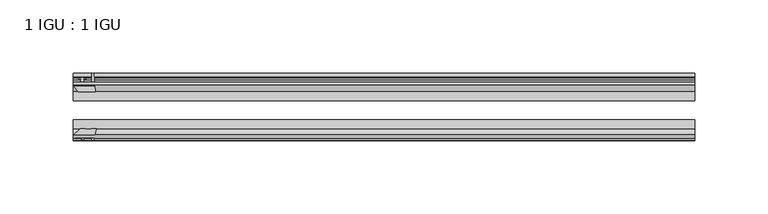
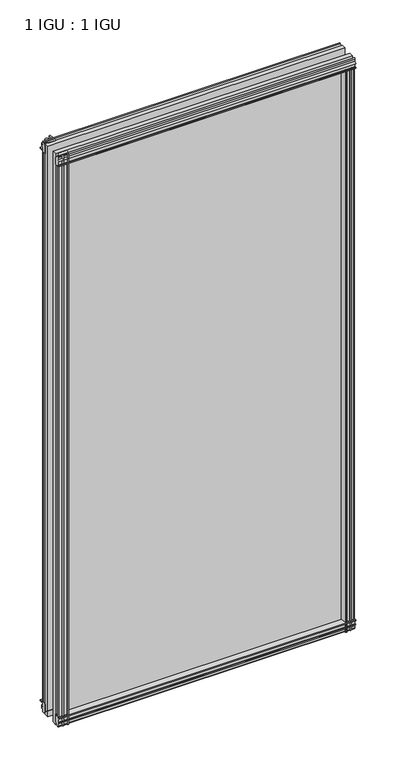
"""IFC4 building model written with IfcOpenShell, lengths in millimetres: plate geometry, 1 IGU : 1 IGU."""

import ifcopenshell
import ifcopenshell.guid

model = None  # the IFC model being written
_history = None  # IfcOwnerHistory: only IFC2X3 demands one
_inside = {}  # id of a spatial element -> (the spatial element, [elements in it])
_under = {}  # id of a project, library or spatial element -> (it, [spatial elements below it])
_declared = {}  # id of a project -> (the project, [libraries it declares])
_typed = {}  # id of a type object -> (the type object, [elements of that type])
_made_of = {}  # id of a material, layer set ... -> (it, [elements and type objects made of it])


def new_model(schema):
    """Start an empty IFC model of exactly this schema.

    Asked for "IFC4X3", IfcOpenShell would pick the latest addendum, in which some entities
    have other attributes; the version numbers below select the first issue.
    IFC2X3 requires an IfcOwnerHistory on every rooted entity: one is made here for all.
    """
    global model, _history
    if schema == "IFC4X3":
        model = ifcopenshell.file(schema_version=(4, 3, 0, 0))
    else:
        model = ifcopenshell.file(schema=schema)
    _inside.clear()
    _under.clear()
    _declared.clear()
    _typed.clear()
    _made_of.clear()
    _history = None
    if model.schema == "IFC2X3":
        org = make("IfcOrganization", Name="unknown")
        user = make(
            "IfcPersonAndOrganization",
            ThePerson=make("IfcPerson", FamilyName="unknown"),
            TheOrganization=org,
        )
        app = make(
            "IfcApplication",
            ApplicationDeveloper=org,
            Version="unknown",
            ApplicationFullName="unknown",
            ApplicationIdentifier="unknown",
        )
        _history = make(
            "IfcOwnerHistory",
            OwningUser=user,
            OwningApplication=app,
            ChangeAction="ADDED",
            CreationDate=0,
        )
    return model


def make(cls, **values):
    """One entity of the class cls with the attributes given. An attribute that is None is left unset."""
    return model.create_entity(
        cls, **{name: value for name, value in values.items() if value is not None}
    )


def rooted(cls, **values):
    """An entity with a GlobalId (a new one), such as an element, a storey or a relation."""
    return make(cls, GlobalId=ifcopenshell.guid.new(), OwnerHistory=_history, **values)


def si_unit(unit_type, name, prefix=None):
    """IfcSIUnit, for example si_unit("LENGTHUNIT", "METRE", prefix="MILLI")."""
    return make("IfcSIUnit", UnitType=unit_type, Prefix=prefix, Name=name)


def assignment(units):
    """IfcUnitAssignment: the units of a project."""
    return None if units is None else make("IfcUnitAssignment", Units=units)


def point(xyz):
    """IfcCartesianPoint."""
    return None if xyz is None else make("IfcCartesianPoint", Coordinates=xyz)


def direction(xyz):
    """IfcDirection."""
    return None if xyz is None else make("IfcDirection", DirectionRatios=xyz)


def frame(location, z_axis=None, x_axis=None):
    """IfcAxis2Placement3D, a coordinate frame: its origin and axes. An axis left out is left unset."""
    return make(
        "IfcAxis2Placement3D",
        Location=point(location),
        Axis=direction(z_axis),
        RefDirection=direction(x_axis),
    )


def frame_2d(location, x_axis=None):
    """IfcAxis2Placement2D, a coordinate frame in the plane: its origin and x axis."""
    return make(
        "IfcAxis2Placement2D", Location=point(location), RefDirection=direction(x_axis)
    )


def origin():
    """The frame at (0, 0, 0) with its axes left unset."""
    return frame((0.0, 0.0, 0.0))


def place(relative_to, where):
    """IfcLocalPlacement: puts the frame where relative to a parent placement (None: the world)."""
    return make(
        "IfcLocalPlacement", PlacementRelTo=relative_to, RelativePlacement=where
    )


def context(
    kind, dimensions, precision=None, world=None, true_north=None, identifier=None
):
    """IfcGeometricRepresentationContext, for example the 3D "Model" context."""
    return make(
        "IfcGeometricRepresentationContext",
        ContextIdentifier=identifier,
        ContextType=kind,
        CoordinateSpaceDimension=dimensions,
        Precision=precision,
        WorldCoordinateSystem=world,
        TrueNorth=true_north,
    )


def project(units=None, contexts=None):
    """IfcProject with its units and contexts."""
    return rooted(
        "IfcProject",
        Name="project",
        RepresentationContexts=contexts,
        UnitsInContext=assignment(units),
    )


def spatial(cls, under=None, at=None, **own):
    """A site, building, storey or space (cls), placed at a placement, below another one or the project."""
    s = rooted(cls, ObjectPlacement=at, **own)
    if under is not None:
        _under.setdefault(under.id(), (under, []))[1].append(s)
    return s


def polyline(points):
    """IfcPolyline through the points."""
    return make("IfcPolyline", Points=[point(p) for p in points])


def circle_curve(where, radius):
    """IfcCircle in the frame where."""
    return make("IfcCircle", Position=where, Radius=radius)


def trimmed(basis, trim1, trim2, sense, master):
    """IfcTrimmedCurve: the piece of a basis curve between two trims."""
    return make(
        "IfcTrimmedCurve",
        BasisCurve=basis,
        Trim1=trim1,
        Trim2=trim2,
        SenseAgreement=sense,
        MasterRepresentation=master,
    )


def segment(curve, same_sense, transition):
    """IfcCompositeCurveSegment."""
    return make(
        "IfcCompositeCurveSegment",
        Transition=transition,
        SameSense=same_sense,
        ParentCurve=curve,
    )


def composite_curve(segments, self_intersect=None):
    """IfcCompositeCurve: segments joined end to end."""
    return make("IfcCompositeCurve", Segments=segments, SelfIntersect=self_intersect)


def outline(outer, holes=None, kind="AREA"):
    """IfcArbitraryClosedProfileDef: a profile drawn as a closed curve; with holes, ...WithVoids."""
    if holes is None:
        return make("IfcArbitraryClosedProfileDef", ProfileType=kind, OuterCurve=outer)
    return make(
        "IfcArbitraryProfileDefWithVoids",
        ProfileType=kind,
        OuterCurve=outer,
        InnerCurves=holes,
    )


def extrude(swept, where, along, depth):
    """IfcExtrudedAreaSolid: the profile swept, set in the frame where, extruded along a direction by depth."""
    return make(
        "IfcExtrudedAreaSolid",
        SweptArea=swept,
        Position=where,
        ExtrudedDirection=direction(along),
        Depth=depth,
    )


def shape(context_of_items, identifier, shape_type, items):
    """IfcShapeRepresentation: the items that make up one representation, for example the "Body"."""
    return make(
        "IfcShapeRepresentation",
        ContextOfItems=context_of_items,
        RepresentationIdentifier=identifier,
        RepresentationType=shape_type,
        Items=items,
    )


def source(mapping_origin, context_of_items, identifier, shape_type, items):
    """IfcRepresentationMap: a shape defined once, which mapped items show again and again."""
    return make(
        "IfcRepresentationMap",
        MappingOrigin=mapping_origin,
        MappedRepresentation=shape(context_of_items, identifier, shape_type, items),
    )


def transform(
    local_origin,
    x_axis=None,
    y_axis=None,
    z_axis=None,
    scale=None,
    scale2=None,
    scale3=None,
    uniform=True,
):
    """IfcCartesianTransformationOperator3D, or its non-uniform kind. x_axis, y_axis, z_axis: its Axis1, 2, 3."""
    if uniform:
        return make(
            "IfcCartesianTransformationOperator3D",
            Axis1=direction(x_axis),
            Axis2=direction(y_axis),
            LocalOrigin=point(local_origin),
            Scale=scale,
            Axis3=direction(z_axis),
        )
    return make(
        "IfcCartesianTransformationOperator3DnonUniform",
        Axis1=direction(x_axis),
        Axis2=direction(y_axis),
        LocalOrigin=point(local_origin),
        Scale=scale,
        Axis3=direction(z_axis),
        Scale2=scale2,
        Scale3=scale3,
    )


def mapped(mapping_source, mapping_target):
    """IfcMappedItem: shows the shape of a source again, moved by a transform."""
    return make(
        "IfcMappedItem", MappingSource=mapping_source, MappingTarget=mapping_target
    )


def made_of(thing, what):
    """Note that an element or type object is made of a material, layer set ...; save() writes the relation."""
    if what is not None:
        _made_of.setdefault(what.id(), (what, []))[1].append(thing)
    return thing


def element(
    cls,
    number,
    at=None,
    inside=None,
    cuts=None,
    type_object=None,
    material=None,
    context=None,
    identifier="Body",
    shape_type=None,
    held_by="IfcProductDefinitionShape",
    body=None,
    shapes=None,
    **own,
):
    """One element of the class cls, such as IfcWall. Its Tag is "e" and its number.

    at: its placement. inside: the storey or other place that contains it. cuts: it is an
    opening in that element (IfcRelVoidsElement). A single representation is given by context,
    identifier, shape_type and body (its items); several are given by shapes. held_by: the class
    of the entity that holds the representations. save() writes the other relations.
    """
    e = rooted(cls, Tag="e%d" % number, ObjectPlacement=at, **own)
    if body is not None:
        shapes = [shape(context, identifier, shape_type, body)]
    if shapes is not None:
        e.Representation = make(held_by, Representations=shapes)
    if inside is not None:
        _inside.setdefault(inside.id(), (inside, []))[1].append(e)
    if cuts is not None:
        rooted(
            "IfcRelVoidsElement", RelatingBuildingElement=cuts, RelatedOpeningElement=e
        )
    if type_object is not None:
        _typed.setdefault(type_object.id(), (type_object, []))[1].append(e)
    return made_of(e, material)


def aggregate(whole, parts):
    """IfcRelAggregates: a whole, such as a stair, and the parts it consists of."""
    return rooted("IfcRelAggregates", RelatingObject=whole, RelatedObjects=parts)


def save(model, path):
    """Write the relations noted so far, then the file.

    IfcRelAggregates (storeys below a building ...), IfcRelContainedInSpatialStructure (elements
    in a storey), IfcRelDefinesByType, IfcRelAssociatesMaterial and IfcRelDeclares: one each for
    every whole, place, type object, material and project.
    """
    for whole, parts in _under.values():
        aggregate(whole, parts)
    for where, things in _inside.values():
        rooted(
            "IfcRelContainedInSpatialStructure",
            RelatedElements=things,
            RelatingStructure=where,
        )
    for kind, things in _typed.values():
        rooted("IfcRelDefinesByType", RelatedObjects=things, RelatingType=kind)
    for what, things in _made_of.values():
        rooted("IfcRelAssociatesMaterial", RelatedObjects=things, RelatingMaterial=what)
    for by, libraries in _declared.values():
        rooted("IfcRelDeclares", RelatingContext=by, RelatedDefinitions=libraries)
    model.write(path)


def plate_1_igu_1_igu_78234f3e(model_context):
    return source(origin(), model_context, "Body", "SweptSolid", [
        extrude(outline(polyline([(-24.9039062, 2.5763839), (-12.2039062, 1.5739665), (-12.2039062, 0.0), (-18.5539062, 0.0), (-18.5539062, -4.953), (-16.254502, -5.5691235), (-16.6301757, -4.1670901), (-15.7714677, -3.937), (-15.1249062, -6.35), (-15.7714677, -8.763), (-16.6301757, -8.5329099), (-16.254502, -7.1308765), (-18.5539062, -7.747), (-18.5539062, -12.7), (-20.5859062, -12.7), (-24.9039062, -9.1036931), (-24.9039062, 2.5763839)])), frame((-211.9151597, 0.0, 0.0), z_axis=(1.0, 0.0, 0.0), x_axis=(0.0, 1.0, 0.0)), (0.0, 0.0, 1.0), 425.5170381),
        extrude(outline(composite_curve([segment(polyline([(-58.2287402, 1.5687054), (-50.3039062, 3.0983599), (-50.3039062, -7.92383), (-54.4858806, -12.1058044)]), True, "CONTINUOUS"), segment(trimmed(circle_curve(frame_2d((-55.3839062, -11.2077788)), 1.27), [point((-54.4858806, -12.1058044))], [point((-56.6539062, -11.2077788))], False, "CARTESIAN"), True, "CONTINUOUS"), segment(polyline([(-56.6539062, -11.2077788), (-56.6539062, -8.0327788), (-58.1332022, -5.4488186), (-56.6539062, -5.1879788), (-56.6539062, 0.2222212), (-58.2287402, 0.0), (-58.2287402, 1.5687054)]), True, "CONTINUOUS")], self_intersect=False)), frame((-211.9151597, 0.0, 0.0), z_axis=(1.0, 0.0, 0.0), x_axis=(0.0, 1.0, 0.0)), (0.0, 0.0, 1.0), 425.5170381),
        extrude(outline(polyline([(-18.5539063, 845.956525), (-16.254502, 845.3404015), (-16.6301757, 846.7424349), (-15.7714677, 846.972525), (-15.1249063, 844.559525), (-15.7714677, 842.146525), (-16.6301757, 842.3766151), (-16.254502, 843.7786485), (-18.5539063, 843.162525), (-18.5539063, 838.209525), (-12.2039062, 838.209525), (-12.2039062, 836.6355584), (-24.9039063, 835.6331411), (-24.9039063, 847.3132181), (-20.5859063, 850.909525), (-18.5539063, 850.909525), (-18.5539063, 845.956525)])), frame((-211.9151597, 0.0, 0.0), z_axis=(1.0, 0.0, 0.0), x_axis=(0.0, 1.0, 0.0)), (0.0, 0.0, 1.0), 425.5170381),
        extrude(outline(composite_curve([segment(polyline([(-50.3039063, 846.133355), (-50.3039063, 835.1111651), (-58.2287402, 836.6408196), (-58.2287402, 838.209525), (-56.6539063, 837.9873038), (-56.6539063, 843.3975038), (-58.1332023, 843.6583436), (-56.6539063, 846.2423038), (-56.6539063, 849.4173038)]), True, "CONTINUOUS"), segment(trimmed(circle_curve(frame_2d((-55.3839063, 849.4173038)), 1.27), [point((-56.6539063, 849.4173038))], [point((-54.4858806, 850.3153294))], False, "CARTESIAN"), True, "CONTINUOUS"), segment(polyline([(-54.4858806, 850.3153294), (-50.3039063, 846.133355)]), True, "CONTINUOUS")], self_intersect=False)), frame((-211.9151597, 0.0, 0.0), z_axis=(1.0, 0.0, 0.0), x_axis=(0.0, 1.0, 0.0)), (0.0, 0.0, 1.0), 425.5170381),
        extrude(outline(composite_curve([segment(polyline([(199.1708344, -57.3876965), (197.8035185, -50.3039063), (208.8257085, -50.3039063), (213.0076828, -54.4858806)]), True, "CONTINUOUS"), segment(trimmed(circle_curve(frame_2d((212.1096572, -55.3839062)), 1.27), [point((213.0076828, -54.4858806))], [point((212.1096572, -56.6539062))], False, "CARTESIAN"), True, "CONTINUOUS"), segment(polyline([(212.1096572, -56.6539062), (208.9346572, -56.6539063), (206.350697, -58.1332022), (206.0898572, -56.6539063), (200.6796572, -56.6539063), (200.9018784, -58.2287402), (199.9375577, -58.2014026)]), True, "CONTINUOUS"), segment(trimmed(circle_curve(frame_2d((200.1716572, -57.2127402)), 1.016), [point((199.9375577, -58.2014026))], [point((199.1708344, -57.3876965))], False, "CARTESIAN"), True, "CONTINUOUS")], self_intersect=False)), frame((0.0, 0.0, -12.7), z_axis=(0.0, 0.0, 1.0), x_axis=(1.0, 0.0, 0.0)), (0.0, 0.0, 1.0), 851.3064),
        extrude(outline(polyline([(205.8548784, -18.5539062), (206.471002, -16.254502), (205.0689686, -16.6301757), (204.8388784, -15.7714677), (207.2518784, -15.1249062), (209.6648784, -15.7714677), (209.4347883, -16.6301757), (208.0327549, -16.254502), (208.6488784, -18.5539062), (213.6018784, -18.5539062), (213.6018784, -20.5859062), (210.0055715, -24.9039063), (198.3254945, -24.9039063), (199.3279119, -12.2039062), (200.9018784, -12.2039062), (200.9018784, -18.5539062), (205.8548784, -18.5539062)])), frame((0.0, 0.0, -12.7), z_axis=(0.0, 0.0, 1.0), x_axis=(1.0, 0.0, 0.0)), (0.0, 0.0, 1.0), 851.3064),
        extrude(outline(composite_curve([segment(polyline([(-207.2479385, -56.6539062), (-210.4229385, -56.6539062)]), True, "CONTINUOUS"), segment(trimmed(circle_curve(frame_2d((-210.4229385, -55.3839062)), 1.27), [point((-210.4229385, -56.6539062))], [point((-211.3209641, -54.4858806))], False, "CARTESIAN"), True, "CONTINUOUS"), segment(polyline([(-211.3209641, -54.4858806), (-207.1389897, -50.3039062), (-203.4694442, -50.3039062)]), True, "CONTINUOUS"), segment(trimmed(circle_curve(frame_2d((-201.4059385, -46.3669062)), 4.445), [point((-203.4694442, -50.3039062))], [point((-199.3424327, -50.3039062))], True, "CARTESIAN"), True, "CONTINUOUS"), segment(polyline([(-199.3424327, -50.3039062), (-196.1167998, -50.3039062), (-197.6464543, -58.2287402), (-199.2151597, -58.2287402), (-198.9929385, -56.6539062), (-204.4031385, -56.6539062), (-204.6639783, -58.1332022), (-207.2479385, -56.6539062)]), True, "CONTINUOUS")], self_intersect=False)), frame((0.0, 0.0, -12.7), z_axis=(0.0, 0.0, 1.0), x_axis=(1.0, 0.0, 0.0)), (0.0, 0.0, 1.0), 863.609525),
        extrude(outline(polyline([(-196.6387758, -24.9039062), (-208.3188528, -24.9039062), (-211.9151597, -20.5859062), (-211.9151597, -18.5539062), (-206.9621597, -18.5539062), (-206.3460362, -16.254502), (-207.7480696, -16.6301757), (-207.9781597, -15.7714677), (-205.5651597, -15.1249062), (-203.1521597, -15.7714677), (-203.3822498, -16.6301757), (-204.7842832, -16.254502), (-204.1681597, -18.5539062), (-199.2151597, -18.5539062), (-199.2151597, -12.2039062), (-197.6411931, -12.2039062), (-196.6387758, -24.9039062)])), frame((0.0, 0.0, -12.7), z_axis=(0.0, 0.0, 1.0), x_axis=(1.0, 0.0, 0.0)), (0.0, 0.0, 1.0), 863.609525),
        extrude(outline(polyline([(213.6018784, -24.9039062), (213.6018784, -31.2031063), (-211.9151597, -31.2031063), (-211.9151597, -24.9039062), (213.6018784, -24.9039062)])), frame((0.0, 0.0, -12.7), z_axis=(0.0, 0.0, 1.0), x_axis=(1.0, 0.0, 0.0)), (0.0, 0.0, 1.0), 863.609525),
        extrude(outline(polyline([(-211.9151597, -44.0047063), (213.6018784, -44.0047063), (213.6018784, -50.3039062), (-211.9151597, -50.3039062), (-211.9151597, -44.0047063)])), frame((0.0, 0.0, -12.7), z_axis=(0.0, 0.0, 1.0), x_axis=(1.0, 0.0, 0.0)), (0.0, 0.0, 1.0), 863.609525),
    ])


if __name__ == "__main__":
    model = new_model("IFC4")
    model_context = context("Model", 3, world=origin())
    ifc_project = project(units=[si_unit("LENGTHUNIT", "METRE", prefix="MILLI")], contexts=[model_context])
    site = spatial("IfcSite", under=ifc_project)
    building = spatial("IfcBuilding", under=site)
    placement = place(None, origin())
    plate_1_igu_1_igu_shape = plate_1_igu_1_igu_78234f3e(model_context)
    element("IfcPlate", 1, ObjectType="1 IGU : 1 IGU", at=placement, inside=building, context=model_context, shape_type="MappedRepresentation", body=[
        mapped(plate_1_igu_1_igu_shape, transform((0.0, 0.0, 0.0), x_axis=(1.0, 0.0, 0.0), y_axis=(0.0, 1.0, 0.0), z_axis=(0.0, 0.0, 1.0))),
    ])
    save(model, "model.ifc")
